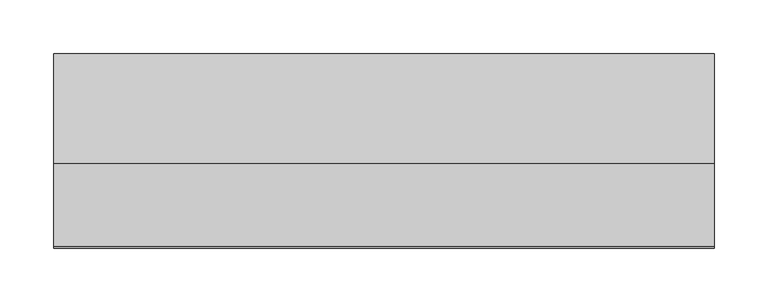
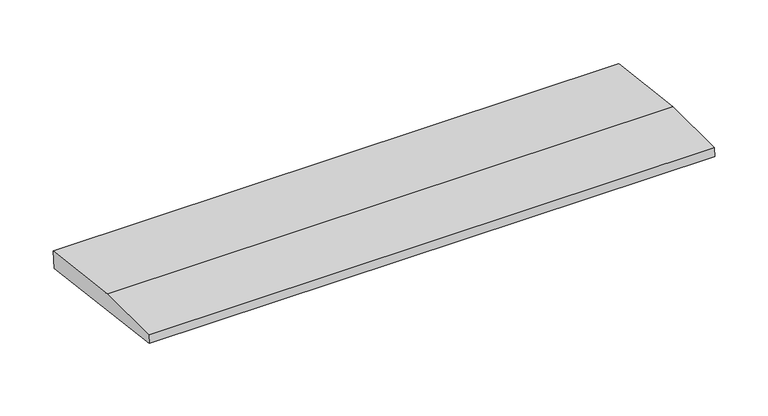
"""IFC4 building model written with IfcOpenShell, lengths in millimetres: beam geometry."""

from ifc_helpers import new_model, si_unit, frame, origin, place, context, project, spatial, polyline, outline, extrude, source, transform, mapped, element, save


def beam_653a1676(model_context):
    return source(origin(), model_context, "Body", "SweptSolid", [
        extrude(outline(polyline([(0.0, -9.143159), (1.1226388, 0.0), (79.0749747, 0.0), (180.9387048, -12.5072934), (178.6231873, -31.3656703), (0.0, -9.143159)])), frame((-307.547668, 0.0, 0.0), z_axis=(1.0, 0.0, 0.0), x_axis=(0.0, 1.0, 0.0)), (0.0, 0.0, 1.0), 615.0953359),
    ])


if __name__ == "__main__":
    model = new_model("IFC4")
    model_context = context("Model", 3, world=origin())
    ifc_project = project(units=[si_unit("LENGTHUNIT", "METRE", prefix="MILLI")], contexts=[model_context])
    site = spatial("IfcSite", under=ifc_project)
    building = spatial("IfcBuilding", under=site)
    placement = place(None, origin())
    beam_shape = beam_653a1676(model_context)
    element("IfcBeam", 1, at=placement, inside=building, context=model_context, shape_type="MappedRepresentation", body=[
        mapped(beam_shape, transform((0.0, 0.0, 0.0), x_axis=(1.0, 0.0, 0.0), y_axis=(0.0, 1.0, 0.0), z_axis=(0.0, 0.0, 1.0))),
    ])
    save(model, "model.ifc")
